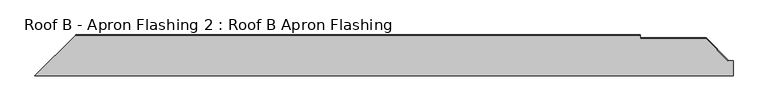
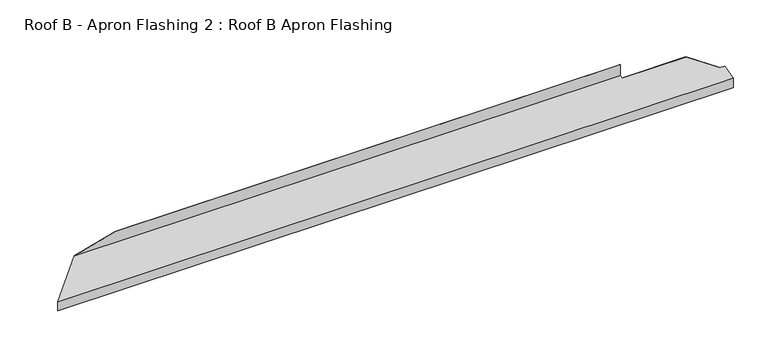
"""IFC4 building model written with IfcOpenShell, lengths in millimetres: proxy geometry, Roof B - Apron Flashing 2 : Roof B Apron Flashing."""

from ifc_helpers import new_model, si_unit, origin, place, context, project, spatial, faceted_brep, source, transform, mapped, element, save


def roof_b_apron_flashing_2_roof_b_apron_flashing_fbb28fd0(model_context):
    return source(origin(), model_context, "Body", "Brep", [
        faceted_brep([(244.9854088, -3905.5534225, 3496.9088838), (448.7333907, -3701.8054406, 3551.5029911), (3270.0, -3701.8054406, 3551.5029911), (3270.0, -3717.1696487, 3547.3861639), (3600.5337992, -3717.1696487, 3547.3861639), (3713.3481174, -3829.9839668, 3517.1576585), (3735.0, -3829.9839668, 3517.1576585), (3735.0, -3905.5534225, 3496.9088838), (448.7333907, -3701.8054406, 3554.3996874), (660.4682599, -3701.8054406, 3611.1338746), (3270.0, -3701.8054406, 3611.1338746), (3270.0, -3702.8054406, 3611.1338746), (660.4682599, -3702.8054406, 3611.1338746), (447.7333907, -3702.8054406, 3552.270318), (3270.0, -3702.8054406, 3552.270318), (447.7333907, -3702.8054406, 3554.1317382), (243.9854088, -3906.5534225, 3497.6762108), (3735.0, -3906.5534225, 3497.6762108), (3735.0, -3829.9839668, 3518.1929346), (3709.4844141, -3829.9839668, 3518.1929346), (3600.5337992, -3721.033352, 3547.3861639), (3270.0, -3721.033352, 3547.3861639), (243.9854088, -3906.5534225, 3446.4262108), (3735.0, -3906.5534225, 3446.4262108), (244.9854088, -3905.5534225, 3446.4262108), (3735.0, -3905.5534225, 3446.4262108)], [[[0, 1, 2, 3, 4, 5, 6, 7]], [[2, 1, 8, 9, 10]], [[11, 10, 9, 12]], [[13, 14, 11, 12, 15]], [[13, 16, 17, 18, 19, 20, 21, 14]], [[16, 22, 23, 17]], [[22, 24, 25, 23]], [[24, 0, 7, 25]], [[1, 0, 24, 22, 16, 13, 15, 8]], [[3, 21, 20, 4]], [[21, 3, 2, 10, 11, 14]], [[9, 8, 15, 12]], [[5, 19, 18, 6]], [[19, 5, 4, 20]], [[7, 6, 18, 17, 23, 25]]]),
    ])


if __name__ == "__main__":
    model = new_model("IFC4")
    model_context = context("Model", 3, world=origin())
    ifc_project = project(units=[si_unit("LENGTHUNIT", "METRE", prefix="MILLI")], contexts=[model_context])
    site = spatial("IfcSite", under=ifc_project)
    building = spatial("IfcBuilding", under=site)
    placement = place(None, origin())
    roof_b_apron_flashing_2_roof_b_apron_flashing_shape = roof_b_apron_flashing_2_roof_b_apron_flashing_fbb28fd0(model_context)
    element("IfcBuildingElementProxy", 1, Name="Roof B - Apron Flashing 2 : Roof B Apron Flashing", ObjectType="Roof B - Apron Flashing 2 : Roof B Apron Flashing", at=placement, inside=building, context=model_context, shape_type="MappedRepresentation", body=[
        mapped(roof_b_apron_flashing_2_roof_b_apron_flashing_shape, transform((0.0, 0.0, 0.0), x_axis=(1.0, 0.0, 0.0), y_axis=(0.0, 1.0, 0.0), z_axis=(0.0, 0.0, 1.0))),
    ])
    save(model, "model.ifc")
